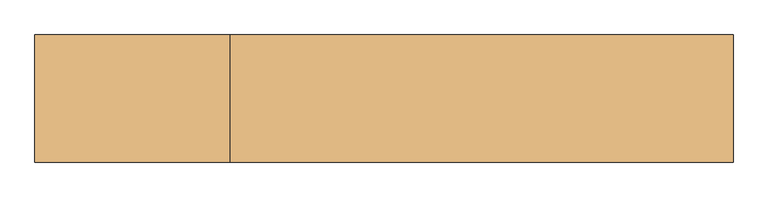
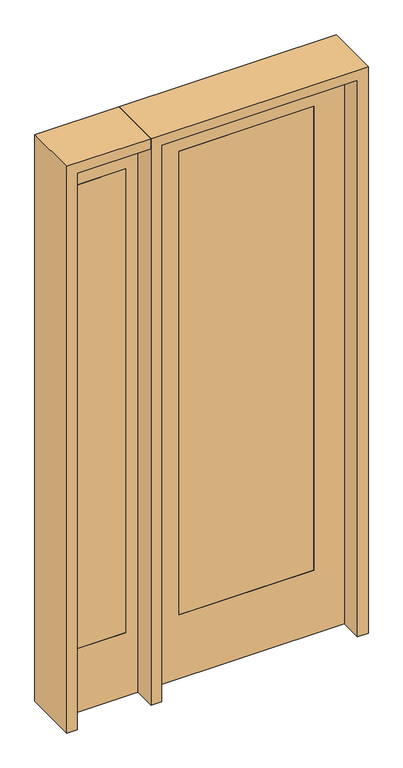
"""IFC4 building model written with IfcOpenShell, lengths in millimetres: door geometry."""

from ifc_helpers import new_model, si_unit, frame, origin, place, context, project, spatial, polyline, outline, extrude, source, transform, mapped, element, save


def door_b95bf395(model_context):
    return source(origin(), model_context, "Body", "SweptSolid", [
        extrude(outline(polyline([(-501.65, -20.6375), (-704.85, -20.6375), (-704.85, 20.6375), (-501.65, 20.6375), (-501.65, -20.6375)])), frame((0.0, 0.0, 279.4), z_axis=(0.0, 0.0, 1.0), x_axis=(1.0, 0.0, 0.0)), (0.0, 0.0, 1.0), 2032.0),
        extrude(outline(polyline([(0.0, -755.65), (0.0, -450.85), (2438.4, -450.85), (2438.4, -755.65), (0.0, -755.65)]), holes=[polyline([(2311.4, -501.65), (279.4, -501.65), (279.4, -704.85), (2311.4, -704.85), (2311.4, -501.65)])]), frame((0.0, -20.6375, 0.0), z_axis=(0.0, 1.0, 0.0), x_axis=(0.0, 0.0, 1.0)), (0.0, 0.0, 1.0), 41.275),
        extrude(outline(polyline([(2438.4, 406.4), (2438.4, -406.4), (0.0, -406.4), (0.0, 406.4), (2438.4, 406.4)]), holes=[polyline([(279.4, 279.4), (279.4, -279.4), (2311.4, -279.4), (2311.4, 279.4), (279.4, 279.4)])]), frame((0.0, -20.6375, 0.0), z_axis=(0.0, 1.0, 0.0), x_axis=(0.0, 0.0, 1.0)), (0.0, 0.0, 1.0), 41.275),
        extrude(outline(polyline([(279.4, -20.6375), (-279.4, -20.6375), (-279.4, 20.6375), (279.4, 20.6375), (279.4, -20.6375)])), frame((0.0, 0.0, 279.4), z_axis=(0.0, 0.0, 1.0), x_axis=(1.0, 0.0, 0.0)), (0.0, 0.0, 1.0), 2032.0),
        extrude(outline(polyline([(2438.4, -450.85), (2482.85, -450.85), (2482.85, -800.1), (0.0, -800.1), (0.0, -755.65), (2438.4, -755.65), (2438.4, -450.85)])), frame((0.0, -114.3, 0.0), z_axis=(0.0, 1.0, 0.0), x_axis=(0.0, 0.0, 1.0)), (0.0, 0.0, 1.0), 228.6),
        extrude(outline(polyline([(2482.85, -450.85), (0.0, -450.85), (0.0, -406.4), (2438.4, -406.4), (2438.4, 406.4), (0.0, 406.4), (0.0, 450.85), (2482.85, 450.85), (2482.85, -450.85)])), frame((0.0, -114.3, 0.0), z_axis=(0.0, 1.0, 0.0), x_axis=(0.0, 0.0, 1.0)), (0.0, 0.0, 1.0), 228.6),
    ])


if __name__ == "__main__":
    model = new_model("IFC4")
    model_context = context("Model", 3, world=origin())
    ifc_project = project(units=[si_unit("LENGTHUNIT", "METRE", prefix="MILLI")], contexts=[model_context])
    site = spatial("IfcSite", under=ifc_project)
    building = spatial("IfcBuilding", under=site)
    placement = place(None, origin())
    door_shape = door_b95bf395(model_context)
    element("IfcDoor", 1, at=placement, inside=building, context=model_context, shape_type="MappedRepresentation", body=[
        mapped(door_shape, transform((0.0, 0.0, 0.0), x_axis=(1.0, 0.0, 0.0), y_axis=(0.0, 1.0, 0.0), z_axis=(0.0, 0.0, 1.0))),
    ])
    save(model, "model.ifc")
